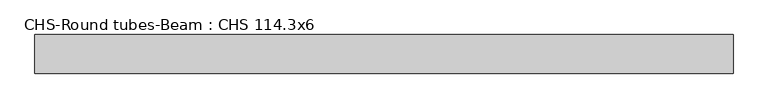
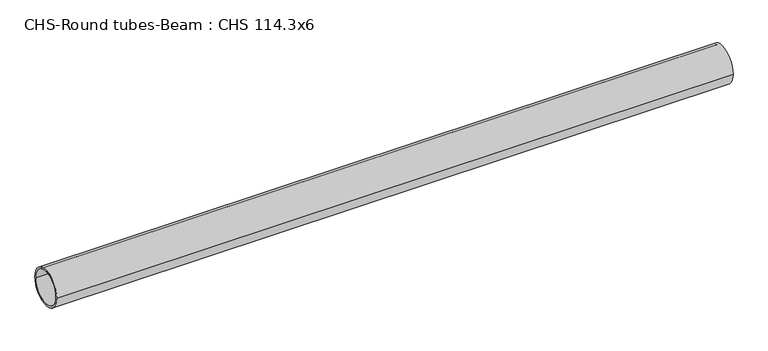
"""IFC4 building model written with IfcOpenShell, lengths in millimetres: beam geometry, CHS-Round tubes-Beam : CHS 114.3x6."""

import ifcopenshell
import ifcopenshell.guid

model = None  # the IFC model being written
_history = None  # IfcOwnerHistory: only IFC2X3 demands one
_inside = {}  # id of a spatial element -> (the spatial element, [elements in it])
_under = {}  # id of a project, library or spatial element -> (it, [spatial elements below it])
_declared = {}  # id of a project -> (the project, [libraries it declares])
_typed = {}  # id of a type object -> (the type object, [elements of that type])
_made_of = {}  # id of a material, layer set ... -> (it, [elements and type objects made of it])


def new_model(schema):
    """Start an empty IFC model of exactly this schema.

    Asked for "IFC4X3", IfcOpenShell would pick the latest addendum, in which some entities
    have other attributes; the version numbers below select the first issue.
    IFC2X3 requires an IfcOwnerHistory on every rooted entity: one is made here for all.
    """
    global model, _history
    if schema == "IFC4X3":
        model = ifcopenshell.file(schema_version=(4, 3, 0, 0))
    else:
        model = ifcopenshell.file(schema=schema)
    _inside.clear()
    _under.clear()
    _declared.clear()
    _typed.clear()
    _made_of.clear()
    _history = None
    if model.schema == "IFC2X3":
        org = make("IfcOrganization", Name="unknown")
        user = make(
            "IfcPersonAndOrganization",
            ThePerson=make("IfcPerson", FamilyName="unknown"),
            TheOrganization=org,
        )
        app = make(
            "IfcApplication",
            ApplicationDeveloper=org,
            Version="unknown",
            ApplicationFullName="unknown",
            ApplicationIdentifier="unknown",
        )
        _history = make(
            "IfcOwnerHistory",
            OwningUser=user,
            OwningApplication=app,
            ChangeAction="ADDED",
            CreationDate=0,
        )
    return model


def make(cls, **values):
    """One entity of the class cls with the attributes given. An attribute that is None is left unset."""
    return model.create_entity(
        cls, **{name: value for name, value in values.items() if value is not None}
    )


def rooted(cls, **values):
    """An entity with a GlobalId (a new one), such as an element, a storey or a relation."""
    return make(cls, GlobalId=ifcopenshell.guid.new(), OwnerHistory=_history, **values)


def si_unit(unit_type, name, prefix=None):
    """IfcSIUnit, for example si_unit("LENGTHUNIT", "METRE", prefix="MILLI")."""
    return make("IfcSIUnit", UnitType=unit_type, Prefix=prefix, Name=name)


def assignment(units):
    """IfcUnitAssignment: the units of a project."""
    return None if units is None else make("IfcUnitAssignment", Units=units)


def point(xyz):
    """IfcCartesianPoint."""
    return None if xyz is None else make("IfcCartesianPoint", Coordinates=xyz)


def direction(xyz):
    """IfcDirection."""
    return None if xyz is None else make("IfcDirection", DirectionRatios=xyz)


def frame(location, z_axis=None, x_axis=None):
    """IfcAxis2Placement3D, a coordinate frame: its origin and axes. An axis left out is left unset."""
    return make(
        "IfcAxis2Placement3D",
        Location=point(location),
        Axis=direction(z_axis),
        RefDirection=direction(x_axis),
    )


def frame_2d(location, x_axis=None):
    """IfcAxis2Placement2D, a coordinate frame in the plane: its origin and x axis."""
    return make(
        "IfcAxis2Placement2D", Location=point(location), RefDirection=direction(x_axis)
    )


def origin():
    """The frame at (0, 0, 0) with its axes left unset."""
    return frame((0.0, 0.0, 0.0))


def origin_2d():
    """The frame at (0, 0) in the plane with its x axis left unset."""
    return frame_2d((0.0, 0.0))


def place(relative_to, where):
    """IfcLocalPlacement: puts the frame where relative to a parent placement (None: the world)."""
    return make(
        "IfcLocalPlacement", PlacementRelTo=relative_to, RelativePlacement=where
    )


def context(
    kind, dimensions, precision=None, world=None, true_north=None, identifier=None
):
    """IfcGeometricRepresentationContext, for example the 3D "Model" context."""
    return make(
        "IfcGeometricRepresentationContext",
        ContextIdentifier=identifier,
        ContextType=kind,
        CoordinateSpaceDimension=dimensions,
        Precision=precision,
        WorldCoordinateSystem=world,
        TrueNorth=true_north,
    )


def project(units=None, contexts=None):
    """IfcProject with its units and contexts."""
    return rooted(
        "IfcProject",
        Name="project",
        RepresentationContexts=contexts,
        UnitsInContext=assignment(units),
    )


def spatial(cls, under=None, at=None, **own):
    """A site, building, storey or space (cls), placed at a placement, below another one or the project."""
    s = rooted(cls, ObjectPlacement=at, **own)
    if under is not None:
        _under.setdefault(under.id(), (under, []))[1].append(s)
    return s


def circle_curve(where, radius):
    """IfcCircle in the frame where."""
    return make("IfcCircle", Position=where, Radius=radius)


def trimmed(basis, trim1, trim2, sense, master):
    """IfcTrimmedCurve: the piece of a basis curve between two trims."""
    return make(
        "IfcTrimmedCurve",
        BasisCurve=basis,
        Trim1=trim1,
        Trim2=trim2,
        SenseAgreement=sense,
        MasterRepresentation=master,
    )


def segment(curve, same_sense, transition):
    """IfcCompositeCurveSegment."""
    return make(
        "IfcCompositeCurveSegment",
        Transition=transition,
        SameSense=same_sense,
        ParentCurve=curve,
    )


def composite_curve(segments, self_intersect=None):
    """IfcCompositeCurve: segments joined end to end."""
    return make("IfcCompositeCurve", Segments=segments, SelfIntersect=self_intersect)


def outline(outer, holes=None, kind="AREA"):
    """IfcArbitraryClosedProfileDef: a profile drawn as a closed curve; with holes, ...WithVoids."""
    if holes is None:
        return make("IfcArbitraryClosedProfileDef", ProfileType=kind, OuterCurve=outer)
    return make(
        "IfcArbitraryProfileDefWithVoids",
        ProfileType=kind,
        OuterCurve=outer,
        InnerCurves=holes,
    )


def extrude(swept, where, along, depth):
    """IfcExtrudedAreaSolid: the profile swept, set in the frame where, extruded along a direction by depth."""
    return make(
        "IfcExtrudedAreaSolid",
        SweptArea=swept,
        Position=where,
        ExtrudedDirection=direction(along),
        Depth=depth,
    )


def shape(context_of_items, identifier, shape_type, items):
    """IfcShapeRepresentation: the items that make up one representation, for example the "Body"."""
    return make(
        "IfcShapeRepresentation",
        ContextOfItems=context_of_items,
        RepresentationIdentifier=identifier,
        RepresentationType=shape_type,
        Items=items,
    )


def source(mapping_origin, context_of_items, identifier, shape_type, items):
    """IfcRepresentationMap: a shape defined once, which mapped items show again and again."""
    return make(
        "IfcRepresentationMap",
        MappingOrigin=mapping_origin,
        MappedRepresentation=shape(context_of_items, identifier, shape_type, items),
    )


def transform(
    local_origin,
    x_axis=None,
    y_axis=None,
    z_axis=None,
    scale=None,
    scale2=None,
    scale3=None,
    uniform=True,
):
    """IfcCartesianTransformationOperator3D, or its non-uniform kind. x_axis, y_axis, z_axis: its Axis1, 2, 3."""
    if uniform:
        return make(
            "IfcCartesianTransformationOperator3D",
            Axis1=direction(x_axis),
            Axis2=direction(y_axis),
            LocalOrigin=point(local_origin),
            Scale=scale,
            Axis3=direction(z_axis),
        )
    return make(
        "IfcCartesianTransformationOperator3DnonUniform",
        Axis1=direction(x_axis),
        Axis2=direction(y_axis),
        LocalOrigin=point(local_origin),
        Scale=scale,
        Axis3=direction(z_axis),
        Scale2=scale2,
        Scale3=scale3,
    )


def mapped(mapping_source, mapping_target):
    """IfcMappedItem: shows the shape of a source again, moved by a transform."""
    return make(
        "IfcMappedItem", MappingSource=mapping_source, MappingTarget=mapping_target
    )


def made_of(thing, what):
    """Note that an element or type object is made of a material, layer set ...; save() writes the relation."""
    if what is not None:
        _made_of.setdefault(what.id(), (what, []))[1].append(thing)
    return thing


def element(
    cls,
    number,
    at=None,
    inside=None,
    cuts=None,
    type_object=None,
    material=None,
    context=None,
    identifier="Body",
    shape_type=None,
    held_by="IfcProductDefinitionShape",
    body=None,
    shapes=None,
    **own,
):
    """One element of the class cls, such as IfcWall. Its Tag is "e" and its number.

    at: its placement. inside: the storey or other place that contains it. cuts: it is an
    opening in that element (IfcRelVoidsElement). A single representation is given by context,
    identifier, shape_type and body (its items); several are given by shapes. held_by: the class
    of the entity that holds the representations. save() writes the other relations.
    """
    e = rooted(cls, Tag="e%d" % number, ObjectPlacement=at, **own)
    if body is not None:
        shapes = [shape(context, identifier, shape_type, body)]
    if shapes is not None:
        e.Representation = make(held_by, Representations=shapes)
    if inside is not None:
        _inside.setdefault(inside.id(), (inside, []))[1].append(e)
    if cuts is not None:
        rooted(
            "IfcRelVoidsElement", RelatingBuildingElement=cuts, RelatedOpeningElement=e
        )
    if type_object is not None:
        _typed.setdefault(type_object.id(), (type_object, []))[1].append(e)
    return made_of(e, material)


def aggregate(whole, parts):
    """IfcRelAggregates: a whole, such as a stair, and the parts it consists of."""
    return rooted("IfcRelAggregates", RelatingObject=whole, RelatedObjects=parts)


def save(model, path):
    """Write the relations noted so far, then the file.

    IfcRelAggregates (storeys below a building ...), IfcRelContainedInSpatialStructure (elements
    in a storey), IfcRelDefinesByType, IfcRelAssociatesMaterial and IfcRelDeclares: one each for
    every whole, place, type object, material and project.
    """
    for whole, parts in _under.values():
        aggregate(whole, parts)
    for where, things in _inside.values():
        rooted(
            "IfcRelContainedInSpatialStructure",
            RelatedElements=things,
            RelatingStructure=where,
        )
    for kind, things in _typed.values():
        rooted("IfcRelDefinesByType", RelatedObjects=things, RelatingType=kind)
    for what, things in _made_of.values():
        rooted("IfcRelAssociatesMaterial", RelatedObjects=things, RelatingMaterial=what)
    for by, libraries in _declared.values():
        rooted("IfcRelDeclares", RelatingContext=by, RelatedDefinitions=libraries)
    model.write(path)


def chs_round_tubes_beam_chs_114_3x6_6bb230d6(model_context):
    return source(origin(), model_context, "Body", "SweptSolid", [
        extrude(outline(composite_curve([segment(trimmed(circle_curve(origin_2d(), 57.15), [point((57.15, 0.0))], [point((-57.15, 0.0))], False, "CARTESIAN"), True, "CONTINUOUS"), segment(trimmed(circle_curve(origin_2d(), 57.15), [point((-57.15, 0.0))], [point((57.15, 0.0))], False, "CARTESIAN"), True, "CONTINUOUS")], self_intersect=False), holes=[composite_curve([segment(trimmed(circle_curve(origin_2d(), 51.15), [point((51.15, 0.0))], [point((-51.15, 0.0))], True, "CARTESIAN"), True, "CONTINUOUS"), segment(trimmed(circle_curve(origin_2d(), 51.15), [point((-51.15, 0.0))], [point((51.15, 0.0))], True, "CARTESIAN"), True, "CONTINUOUS")], self_intersect=False)]), frame((-1131.2832807, 0.0, 0.0), z_axis=(1.0, 0.0, 0.0), x_axis=(0.0, 1.0, 0.0)), (0.0, 0.0, 1.0), 2063.8467682),
    ])


if __name__ == "__main__":
    model = new_model("IFC4")
    model_context = context("Model", 3, world=origin())
    ifc_project = project(units=[si_unit("LENGTHUNIT", "METRE", prefix="MILLI")], contexts=[model_context])
    site = spatial("IfcSite", under=ifc_project)
    building = spatial("IfcBuilding", under=site)
    placement = place(None, origin())
    chs_round_tubes_beam_chs_114_3x6_shape = chs_round_tubes_beam_chs_114_3x6_6bb230d6(model_context)
    element("IfcBeam", 1, ObjectType="CHS-Round tubes-Beam : CHS 114.3x6", at=placement, inside=building, context=model_context, shape_type="MappedRepresentation", body=[
        mapped(chs_round_tubes_beam_chs_114_3x6_shape, transform((0.0, 0.0, 0.0), x_axis=(1.0, 0.0, 0.0), y_axis=(0.0, 1.0, 0.0), z_axis=(0.0, 0.0, 1.0))),
    ])
    save(model, "model.ifc")
